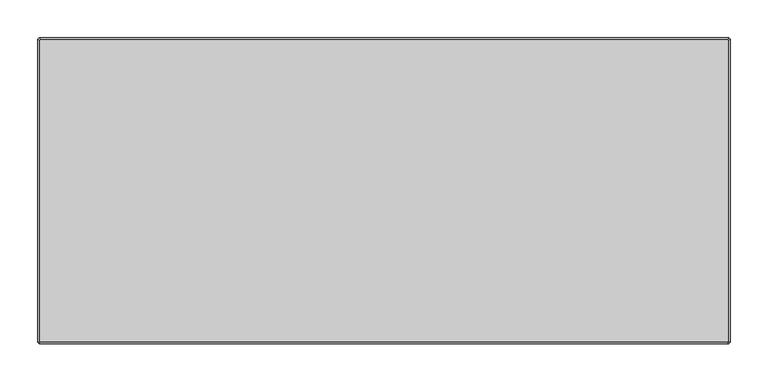
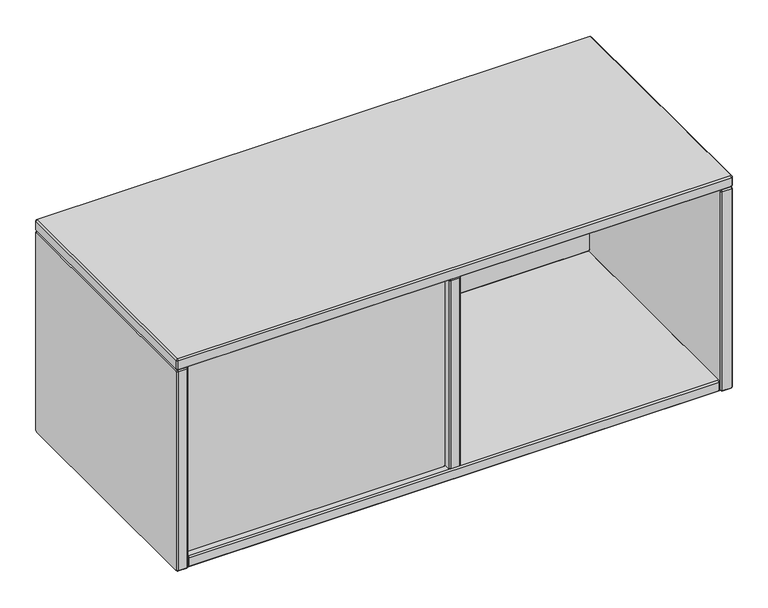
"""IFC4 building model written with IfcOpenShell, lengths in millimetres: furniture geometry."""

from ifc_helpers import new_model, si_unit, origin, place, context, project, spatial, faceted_brep, source, transform, mapped, element, save


def furniture_f4956f70(model_context):
    return source(origin(), model_context, "Body", "Brep", [
        faceted_brep([(22.564297, -209.0126135, 1077.0826604), (21.7169989, -209.0126135, 1077.9299584), (21.7169986, -209.0126135, 1402.686119), (22.5630082, -209.0126135, 1403.5321292), (446.4467091, -209.0126135, 1403.5321295), (447.2939981, -209.0126135, 1402.684841), (447.2939984, -209.0126135, 1077.9312381), (446.4454211, -209.0126135, 1077.0826604), (21.7169989, -228.3166132, 1077.9299584), (22.564297, -228.3166132, 1077.0826604), (446.4454203, -228.3166132, 1077.08266), (447.2939981, -228.3166132, 1077.9312373), (447.2939984, -228.3166132, 1402.6848402), (446.4467099, -228.3166132, 1403.5321292), (22.5630091, -228.3166132, 1403.5321295), (21.7169989, -228.3166132, 1402.6861198), (19.684994, -211.044618, 1077.0882749), (21.7226135, -211.044618, 1075.0506555), (21.7226135, -226.2846087, 1075.0506555), (19.684994, -226.2846087, 1077.0882749), (447.2871047, -211.044618, 1075.0506555), (447.2871047, -226.2846087, 1075.0506555), (449.326003, -211.044618, 1077.0895538), (449.326003, -226.2846087, 1077.0895538), (449.326003, -211.044618, 1403.5265245), (449.326003, -226.2846087, 1403.5265245), (447.2883934, -211.044618, 1405.5641341), (447.2883934, -226.2846087, 1405.5641341), (21.7213247, -211.044618, 1405.5641341), (21.7213247, -226.2846087, 1405.5641341), (19.684994, -211.044618, 1403.5278034), (19.684994, -226.2846087, 1403.5278034)], [[[0, 1, 2, 3, 4, 5, 6, 7]], [[8, 9, 10, 11, 12, 13, 14, 15]], [[16, 1, 0, 17]], [[16, 17, 18, 19]], [[19, 18, 9, 8]], [[17, 0, 7, 20]], [[18, 17, 20, 21]], [[9, 18, 21, 10]], [[20, 7, 6, 22]], [[21, 20, 22, 23]], [[10, 21, 23, 11]], [[22, 6, 5, 24]], [[23, 22, 24, 25]], [[11, 23, 25, 12]], [[24, 5, 4, 26]], [[25, 24, 26, 27]], [[12, 25, 27, 13]], [[26, 4, 3, 28]], [[27, 26, 28, 29]], [[13, 27, 29, 14]], [[28, 3, 2, 30]], [[29, 28, 30, 31]], [[14, 29, 31, 15]], [[1, 16, 30, 2]], [[16, 19, 31, 30]], [[19, 8, 15, 31]]]),
        faceted_brep([(468.629997, 148.8452595, 1077.0882749), (470.6620027, 150.8772652, 1077.9299592), (471.5093008, 150.8772652, 1077.0826612), (470.6676165, 148.8452595, 1075.0506555), (470.6676165, 133.6052689, 1075.0506555), (468.629997, 133.6052689, 1077.0882749), (471.5093008, 131.5732632, 1077.0826612), (470.6620011, 131.5732654, 1077.9299576), (891.8344233, 150.8772652, 1077.0826612), (892.6761077, 148.8452595, 1075.0506555), (892.6761077, 133.6052689, 1075.0506555), (891.8344233, 131.5732632, 1077.0826612), (892.6830003, 150.8772652, 1077.9312381), (894.715006, 148.8452595, 1077.0895538), (894.715006, 133.6052689, 1077.0895538), (892.6830003, 131.5732632, 1077.9312381), (892.6830003, 150.8772652, 1402.6848402), (894.715006, 148.8452595, 1403.5265245), (894.715006, 133.6052689, 1403.5265245), (892.6830003, 131.5732632, 1402.6848402), (891.8357121, 150.8772652, 1403.5321284), (892.6773964, 148.8452595, 1405.5641341), (892.6773964, 133.6052689, 1405.5641341), (891.8357121, 131.5732632, 1403.5321284), (471.508012, 150.8772652, 1403.5321284), (470.6663277, 148.8452595, 1405.5641341), (470.6663277, 133.6052689, 1405.5641341), (471.508012, 131.5732632, 1403.5321284), (470.6620027, 150.8772652, 1402.686119), (468.629997, 148.8452595, 1403.5278034), (468.629997, 133.6052689, 1403.5278034), (470.6620027, 131.5732632, 1402.686119)], [[[0, 1, 2, 3]], [[0, 3, 4, 5]], [[5, 4, 6, 7]], [[3, 2, 8, 9]], [[4, 3, 9, 10]], [[6, 4, 10, 11]], [[9, 8, 12, 13]], [[10, 9, 13, 14]], [[11, 10, 14, 15]], [[13, 12, 16, 17]], [[14, 13, 17, 18]], [[15, 14, 18, 19]], [[17, 16, 20, 21]], [[18, 17, 21, 22]], [[19, 18, 22, 23]], [[21, 20, 24, 25]], [[22, 21, 25, 26]], [[23, 22, 26, 27]], [[25, 24, 28, 29]], [[26, 25, 29, 30]], [[27, 26, 30, 31]], [[1, 0, 29, 28]], [[0, 5, 30, 29]], [[5, 7, 31, 30]], [[2, 1, 28, 24, 20, 16, 12, 8]], [[7, 6, 11, 15, 19, 23, 27, 31]]]),
        faceted_brep([(0.381, 160.1899826, 1403.5321289), (0.381, 161.0359948, 1402.6861167), (0.381, 161.0359948, 1060.6585981), (0.381, 158.1641576, 1057.7805146), (0.381, -237.6617899, 1057.7773915), (0.381, -238.507861, 1058.6234626), (0.381, -238.5047378, 1402.6861258), (0.381, -237.6587347, 1403.5321289), (19.6849994, 161.035991, 1402.6861129), (19.6849994, 160.1899788, 1403.5321251), (19.6849994, -237.6587347, 1403.5321235), (19.6849994, -238.504734, 1402.686122), (19.6849994, -238.5047325, 1058.6265857), (19.6849994, -237.6649092, 1057.7805184), (19.6849994, 158.1610344, 1057.7773968), (19.6849994, 161.0391141, 1060.6554788), (2.4130052, 163.068, 1403.5278008), (2.4130052, 161.0316667, 1405.5641341), (17.6529888, 161.0316667, 1405.5641341), (17.6529888, 163.068, 1403.5278008), (2.4130052, -238.5004189, 1405.5641341), (17.6529888, -238.5004189, 1405.5641341), (2.4130052, -240.5367431, 1403.5278099), (17.6529888, -240.5367431, 1403.5278099), (2.4130052, -240.5367431, 1057.7786553), (17.6529888, -240.5367431, 1057.7786553), (2.4130052, -238.503474, 1055.7453862), (17.6529888, -238.503474, 1055.7453862), (2.4130052, 159.0027185, 1055.7453862), (17.6529888, 159.0027185, 1055.7453862), (2.4130052, 163.068, 1059.8106677), (17.6529888, 163.068, 1059.8106677)], [[[0, 1, 2, 3, 4, 5, 6, 7]], [[8, 9, 10, 11, 12, 13, 14, 15]], [[16, 1, 0, 17]], [[16, 17, 18, 19]], [[19, 18, 9, 8]], [[17, 0, 7, 20]], [[18, 17, 20, 21]], [[9, 18, 21, 10]], [[20, 7, 6, 22]], [[21, 20, 22, 23]], [[10, 21, 23, 11]], [[22, 6, 5, 24]], [[23, 22, 24, 25]], [[11, 23, 25, 12]], [[24, 5, 4, 26]], [[25, 24, 26, 27]], [[12, 25, 27, 13]], [[26, 4, 3, 28]], [[27, 26, 28, 29]], [[13, 27, 29, 14]], [[28, 3, 2, 30]], [[29, 28, 30, 31]], [[14, 29, 31, 15]], [[1, 16, 30, 2]], [[16, 19, 31, 30]], [[19, 8, 15, 31]]]),
        faceted_brep([(468.6300073, 159.0039823, 1402.6861094), (468.6300073, 158.1579701, 1403.5321216), (468.6300073, -235.5967084, 1403.5321186), (468.6300073, -236.4427043, 1402.6854873), (468.6300073, -236.4420701, 1077.9256086), (468.6300073, -235.5994407, 1077.0829835), (468.6300073, 156.1290292, 1077.0826709), (468.6300073, 159.0039823, 1079.9576283), (449.3253716, 158.157531, 1403.5316824), (449.3253716, 159.0035431, 1402.6856703), (449.3253716, 159.0033582, 1079.957621), (449.3253716, 156.1285828, 1077.0831071), (449.3253716, -235.5991324, 1077.083292), (449.3253716, -236.4413183, 1077.9257395), (449.3253716, -236.441449, 1402.6861258), (449.3253716, -235.5959464, 1403.5313668), (451.3580082, 161.0359948, 1403.5278008), (451.3580082, 158.9996615, 1405.5641341), (466.5979918, 158.9996615, 1405.5641341), (466.5979918, 161.0359948, 1403.5278008), (451.3580082, -236.4377614, 1405.5641341), (466.5979918, -236.4377614, 1405.5641341), (451.3580082, -238.4740856, 1403.5278099), (466.5979918, -238.4740856, 1403.5278099), (451.3580082, -238.4740856, 1077.0839245), (466.5979918, -238.4740856, 1077.0839245), (451.3580082, -236.4408165, 1075.0506555), (466.5979918, -236.4408165, 1075.0506555), (451.3580082, 156.9707133, 1075.0506555), (466.5979918, 156.9707133, 1075.0506555), (451.3580082, 161.0359948, 1079.1159369), (466.5979918, 161.0359948, 1079.1159369)], [[[0, 1, 2, 3, 4, 5, 6, 7]], [[8, 9, 10, 11, 12, 13, 14, 15]], [[16, 9, 8, 17]], [[16, 17, 18, 19]], [[19, 18, 1, 0]], [[17, 8, 15, 20]], [[18, 17, 20, 21]], [[1, 18, 21, 2]], [[20, 15, 14, 22]], [[21, 20, 22, 23]], [[2, 21, 23, 3]], [[22, 14, 13, 24]], [[23, 22, 24, 25]], [[3, 23, 25, 4]], [[24, 13, 12, 26]], [[25, 24, 26, 27]], [[4, 25, 27, 5]], [[26, 12, 11, 28]], [[27, 26, 28, 29]], [[5, 27, 29, 6]], [[28, 11, 10, 30]], [[29, 28, 30, 31]], [[6, 29, 31, 7]], [[9, 16, 30, 10]], [[16, 19, 31, 30]], [[19, 0, 7, 31]]]),
        faceted_brep([(911.9869948, 163.0679927, 1403.5277978), (896.7470112, 163.0679927, 1403.5277978), (896.7470112, 161.0316637, 1405.5641268), (911.9869948, 161.0316637, 1405.5641268), (896.7470112, -238.5004158, 1405.5641268), (911.9869948, -238.5004158, 1405.5641268), (896.7470112, -240.5367358, 1403.5278069), (911.9869948, -240.5367358, 1403.5278069), (896.7470112, -240.5367358, 1057.7730446), (911.9869948, -240.5367358, 1057.7730446), (896.7470112, -238.503471, 1055.7397798), (911.9869948, -238.503471, 1055.7397798), (896.7470112, 159.0027155, 1055.7397798), (911.9869948, 159.0027155, 1055.7397798), (896.7470112, 163.0679927, 1059.805057), (911.9869948, 163.0679927, 1059.805057), (914.019, 160.1899796, 1403.5321216), (914.019, 161.0359875, 1402.6861137), (894.715006, 161.0359875, 1402.6861137), (894.7150097, 160.1899822, 1403.5321242), (914.019, -237.6587317, 1403.5321216), (894.7150097, -237.6587317, 1403.5321253), (914.019, -238.5047305, 1402.6861227), (894.7150097, -238.5047332, 1402.6861254), (914.019, -238.5047305, 1058.6147287), (894.7150097, -238.5047343, 1058.6147287), (914.019, -237.6617868, 1057.771785), (894.7150097, -237.6617895, 1057.7717824), (914.019, 158.1610314, 1057.771785), (894.7150097, 158.1610314, 1057.7717813), (914.019, 161.0359875, 1060.6467411), (894.7150097, 161.0359901, 1060.6467385)], [[[0, 1, 2, 3]], [[3, 2, 4, 5]], [[5, 4, 6, 7]], [[7, 6, 8, 9]], [[9, 8, 10, 11]], [[11, 10, 12, 13]], [[13, 12, 14, 15]], [[1, 0, 15, 14]], [[0, 3, 16, 17]], [[2, 1, 18, 19]], [[3, 5, 20, 16]], [[4, 2, 19, 21]], [[5, 7, 22, 20]], [[6, 4, 21, 23]], [[7, 9, 24, 22]], [[8, 6, 23, 25]], [[9, 11, 26, 24]], [[10, 8, 25, 27]], [[11, 13, 28, 26]], [[12, 10, 27, 29]], [[13, 15, 30, 28]], [[14, 12, 29, 31]], [[15, 0, 17, 30]], [[1, 14, 31, 18]], [[19, 18, 31, 29, 27, 25, 23, 21]], [[17, 16, 20, 22, 24, 26, 28, 30]]]),
        faceted_brep([(2.4142691, 160.1937872, 1405.5641341), (0.381, 161.0359948, 1407.5974031), (2.4130052, 163.068, 1407.5974031), (3.2552128, 161.0347309, 1405.5641341), (0.381, 161.0359948, 1422.8305205), (2.4142691, 160.1937872, 1424.8637895), (3.2552128, 161.0347309, 1424.8637895), (2.4130052, 163.068, 1422.8305205), (911.9869875, 163.068, 1407.5974031), (911.1447799, 161.0347309, 1405.5641341), (911.1447799, 161.0347309, 1424.8637895), (911.9869875, 163.068, 1422.8305205), (914.019, 161.0359875, 1407.5974031), (911.9857309, 160.1937799, 1405.5641341), (911.9857309, 160.1937799, 1424.8637895), (914.019, 161.0359875, 1422.8305205), (914.019, -238.5047363, 1407.5974031), (911.9857309, -237.6625286, 1405.5641341), (911.9857309, -237.6625286, 1424.8637895), (914.019, -238.5047363, 1422.8305205), (911.9869932, -240.5367431, 1407.5974031), (911.1447856, -238.503474, 1405.5641341), (911.1447856, -238.503474, 1424.8637895), (911.9869932, -240.5367431, 1422.8305205), (2.413, -240.5367431, 1407.5974031), (3.2552076, -238.503474, 1405.5641341), (3.2552076, -238.503474, 1424.8637895), (2.413, -240.5367431, 1422.8305205), (0.381, -238.5047431, 1407.5974031), (2.4142691, -237.6625355, 1405.5641341), (2.4142691, -237.6625355, 1424.8637895), (0.381, -238.5047431, 1422.8305205)], [[[0, 1, 2, 3]], [[4, 5, 6, 7]], [[2, 1, 4, 7]], [[3, 2, 8, 9]], [[7, 6, 10, 11]], [[2, 7, 11, 8]], [[9, 8, 12, 13]], [[11, 10, 14, 15]], [[8, 11, 15, 12]], [[13, 12, 16, 17]], [[15, 14, 18, 19]], [[12, 15, 19, 16]], [[17, 16, 20, 21]], [[19, 18, 22, 23]], [[16, 19, 23, 20]], [[21, 20, 24, 25]], [[23, 22, 26, 27]], [[20, 23, 27, 24]], [[25, 24, 28, 29]], [[27, 26, 30, 31]], [[24, 27, 31, 28]], [[1, 0, 29, 28]], [[5, 4, 31, 30]], [[4, 1, 28, 31]], [[6, 5, 30, 26, 22, 18, 14, 10]], [[0, 3, 9, 13, 17, 21, 25, 29]]]),
        faceted_brep([(21.7182631, 160.1937872, 1055.751), (19.684994, 161.0359948, 1057.7842691), (21.7169992, 163.068, 1057.7842691), (22.5592069, 161.0347309, 1055.751), (19.684994, 161.0359948, 1073.0173864), (21.7182631, 160.1937872, 1075.0506555), (22.5631764, 161.0307614, 1075.0562692), (21.7169992, 163.068, 1073.0173864), (892.6829972, 163.068, 1057.7842691), (891.8407896, 161.0347309, 1055.751), (891.8407896, 161.0291172, 1075.0562692), (892.6829972, 163.068, 1073.0173864), (894.7150097, 161.0359875, 1057.7842691), (892.6817406, 160.1937799, 1055.751), (892.6777711, 160.1898103, 1075.0562692), (894.7150097, 161.0359875, 1073.0173864), (894.7150097, -236.4420788, 1057.7842691), (892.6817406, -235.5998711, 1055.751), (892.6761269, -235.5998711, 1075.0562692), (894.7150097, -236.4420788, 1073.0173864), (892.6830029, -238.4740856, 1057.7842691), (891.8407953, -236.4408165, 1055.751), (891.8368258, -236.436847, 1075.0562692), (892.6830029, -238.4740856, 1073.0173864), (21.716994, -238.4740856, 1057.7842691), (22.5592016, -236.4408165, 1055.751), (22.5592016, -236.4352027, 1075.0562692), (21.716994, -238.4740856, 1073.0173864), (19.684994, -236.4420856, 1057.7842691), (21.7182631, -235.599878, 1055.751), (21.7222326, -235.5959084, 1075.0562692), (19.684994, -236.4420856, 1073.0173864)], [[[0, 1, 2, 3]], [[4, 5, 6, 7]], [[2, 1, 4, 7]], [[3, 2, 8, 9]], [[7, 6, 10, 11]], [[2, 7, 11, 8]], [[9, 8, 12, 13]], [[11, 10, 14, 15]], [[8, 11, 15, 12]], [[13, 12, 16, 17]], [[15, 14, 18, 19]], [[12, 15, 19, 16]], [[17, 16, 20, 21]], [[19, 18, 22, 23]], [[16, 19, 23, 20]], [[21, 20, 24, 25]], [[23, 22, 26, 27]], [[20, 23, 27, 24]], [[25, 24, 28, 29]], [[27, 26, 30, 31]], [[24, 27, 31, 28]], [[1, 0, 29, 28]], [[5, 4, 31, 30]], [[4, 1, 28, 31]], [[6, 5, 30, 26, 22, 18, 14, 10]], [[0, 3, 9, 13, 17, 21, 25, 29]]]),
    ])


if __name__ == "__main__":
    model = new_model("IFC4")
    model_context = context("Model", 3, world=origin())
    ifc_project = project(units=[si_unit("LENGTHUNIT", "METRE", prefix="MILLI")], contexts=[model_context])
    site = spatial("IfcSite", under=ifc_project)
    building = spatial("IfcBuilding", under=site)
    placement = place(None, origin())
    furniture_shape = furniture_f4956f70(model_context)
    element("IfcFurniture", 1, at=placement, inside=building, context=model_context, shape_type="MappedRepresentation", body=[
        mapped(furniture_shape, transform((0.0, 0.0, 0.0), x_axis=(1.0, 0.0, 0.0), y_axis=(0.0, 1.0, 0.0), z_axis=(0.0, 0.0, 1.0))),
    ])
    save(model, "model.ifc")
